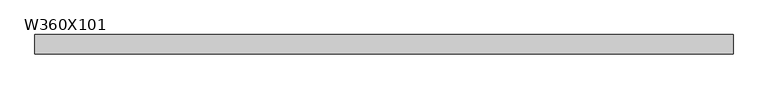
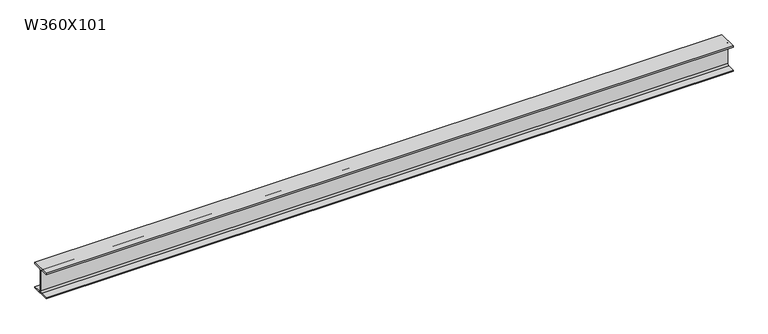
"""IFC4 building model written with IfcOpenShell, lengths in millimetres: beam geometry, W360X101."""

from ifc_helpers import new_model, si_unit, point, frame, frame_2d, origin, place, context, project, spatial, polyline, circle_curve, trimmed, segment, composite_curve, outline, extrude, source, transform, mapped, element, save


def w360x101_bcb8e32a(model_context):
    return source(origin(), model_context, "Body", "SweptSolid", [
        extrude(outline(composite_curve([segment(polyline([(127.0, -159.7), (127.0, -178.0), (-127.0, -178.0), (-127.0, -159.7), (-26.65, -159.7)]), True, "CONTINUOUS"), segment(trimmed(circle_curve(frame_2d((-26.65, -138.3)), 21.4), [point((-26.65, -159.7))], [point((-5.25, -138.3))], True, "CARTESIAN"), True, "CONTINUOUS"), segment(polyline([(-5.25, -138.3), (-5.25, 138.3)]), True, "CONTINUOUS"), segment(trimmed(circle_curve(frame_2d((-26.65, 138.3)), 21.4), [point((-5.25, 138.3))], [point((-26.65, 159.7))], True, "CARTESIAN"), True, "CONTINUOUS"), segment(polyline([(-26.65, 159.7), (-127.0, 159.7), (-127.0, 178.0), (127.0, 178.0), (127.0, 159.7), (26.65, 159.7)]), True, "CONTINUOUS"), segment(trimmed(circle_curve(frame_2d((26.65, 138.3)), 21.4), [point((26.65, 159.7))], [point((5.25, 138.3))], True, "CARTESIAN"), True, "CONTINUOUS"), segment(polyline([(5.25, 138.3), (5.25, -138.3)]), True, "CONTINUOUS"), segment(trimmed(circle_curve(frame_2d((26.65, -138.3)), 21.4), [point((5.25, -138.3))], [point((26.65, -159.7))], True, "CARTESIAN"), True, "CONTINUOUS"), segment(polyline([(26.65, -159.7), (127.0, -159.7)]), True, "CONTINUOUS")], self_intersect=False)), frame((-4572.0, 0.0, 0.0), z_axis=(1.0, 0.0, 0.0), x_axis=(0.0, 1.0, 0.0)), (0.0, 0.0, 1.0), 9071.3),
    ])


if __name__ == "__main__":
    model = new_model("IFC4")
    model_context = context("Model", 3, world=origin())
    ifc_project = project(units=[si_unit("LENGTHUNIT", "METRE", prefix="MILLI")], contexts=[model_context])
    site = spatial("IfcSite", under=ifc_project)
    building = spatial("IfcBuilding", under=site)
    placement = place(None, origin())
    w360x101_shape = w360x101_bcb8e32a(model_context)
    element("IfcBeam", 1, ObjectType="W360X101", at=placement, inside=building, context=model_context, shape_type="MappedRepresentation", body=[
        mapped(w360x101_shape, transform((0.0, 0.0, 0.0), x_axis=(1.0, 0.0, 0.0), y_axis=(0.0, 1.0, 0.0), z_axis=(0.0, 0.0, 1.0))),
    ])
    save(model, "model.ifc")
